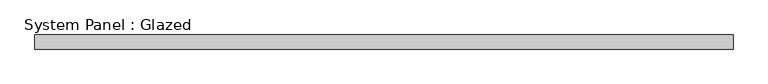
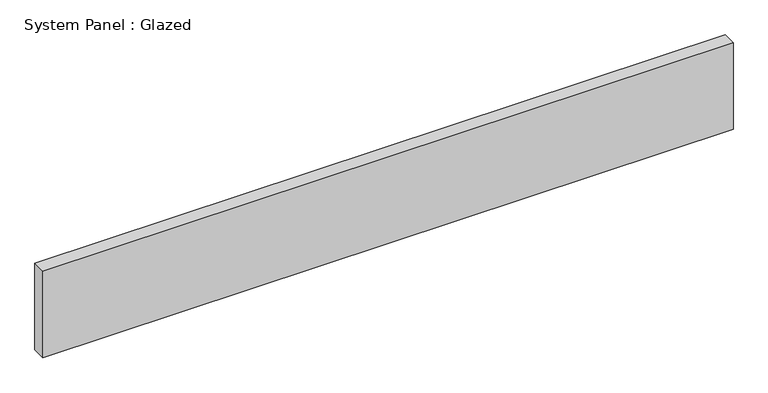
"""IFC4 building model written with IfcOpenShell, lengths in millimetres: plate geometry, System Panel : Glazed."""

from ifc_helpers import new_model, si_unit, origin, origin_with_axes, place, context, project, spatial, polyline, outline, extrude, source, transform, mapped, element, save


def system_panel_glazed_75161045(model_context):
    return source(origin(), model_context, "Body", "SweptSolid", [
        extrude(outline(polyline([(628.9, 19.05), (-628.9, 19.05), (-628.9, 44.45), (628.9, 44.45), (628.9, 19.05)])), origin_with_axes(), (0.0, 0.0, 1.0), 166.35),
    ])


if __name__ == "__main__":
    model = new_model("IFC4")
    model_context = context("Model", 3, world=origin())
    ifc_project = project(units=[si_unit("LENGTHUNIT", "METRE", prefix="MILLI")], contexts=[model_context])
    site = spatial("IfcSite", under=ifc_project)
    building = spatial("IfcBuilding", under=site)
    placement = place(None, origin())
    system_panel_glazed_shape = system_panel_glazed_75161045(model_context)
    element("IfcPlate", 1, ObjectType="System Panel : Glazed", at=placement, inside=building, context=model_context, shape_type="MappedRepresentation", body=[
        mapped(system_panel_glazed_shape, transform((0.0, 0.0, 0.0), x_axis=(1.0, 0.0, 0.0), y_axis=(0.0, 1.0, 0.0), z_axis=(0.0, 0.0, 1.0))),
    ])
    save(model, "model.ifc")
